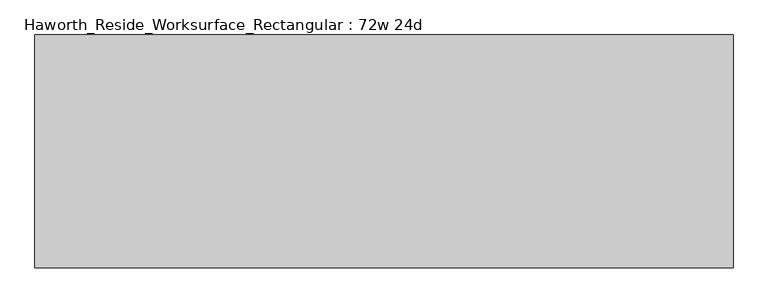
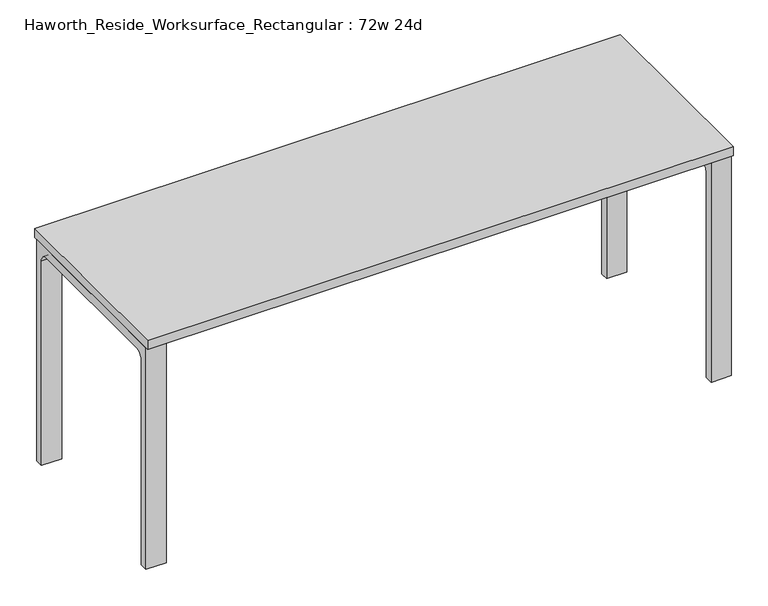
"""IFC4 building model written with IfcOpenShell, lengths in millimetres: furniture geometry, Haworth_Reside_Worksurface_Rectangular : 72w 24d."""

from ifc_helpers import new_model, si_unit, point, frame, frame_2d, origin, place, context, project, spatial, polyline, circle_curve, trimmed, segment, composite_curve, outline, extrude, source, transform, mapped, element, save


def haworth_reside_worksurface_rectangular_72w_24d_d0085fe6(model_context):
    return source(origin(), model_context, "Body", "SweptSolid", [
        extrude(outline(composite_curve([segment(trimmed(circle_curve(frame_2d((244.475, 676.275)), 25.4), [point((269.875, 676.275))], [point((244.475, 701.675))], True, "CARTESIAN"), True, "CONTINUOUS"), segment(polyline([(244.475, 701.675), (-244.475, 701.675)]), True, "CONTINUOUS"), segment(trimmed(circle_curve(frame_2d((-244.475, 676.275)), 25.4), [point((-244.475, 701.675))], [point((-269.875, 676.275))], True, "CARTESIAN"), True, "CONTINUOUS"), segment(polyline([(-269.875, 676.275), (-269.875, 0.0), (-295.275, 0.0), (-295.275, 731.8375), (295.275, 731.8375), (295.275, 0.0), (269.875, 0.0), (269.875, 676.275)]), True, "CONTINUOUS")], self_intersect=False)), frame((850.9, 0.0, 0.0), z_axis=(1.0, 0.0, 0.0), x_axis=(0.0, 1.0, 0.0)), (0.0, 0.0, 1.0), 63.5),
        extrude(outline(composite_curve([segment(trimmed(circle_curve(frame_2d((244.475, 676.275)), 25.4), [point((269.875, 676.275))], [point((244.475, 701.675))], True, "CARTESIAN"), True, "CONTINUOUS"), segment(polyline([(244.475, 701.675), (-244.475, 701.675)]), True, "CONTINUOUS"), segment(trimmed(circle_curve(frame_2d((-244.475, 676.275)), 25.4), [point((-244.475, 701.675))], [point((-269.875, 676.275))], True, "CARTESIAN"), True, "CONTINUOUS"), segment(polyline([(-269.875, 676.275), (-269.875, 0.0), (-295.275, 0.0), (-295.275, 731.8375), (295.275, 731.8375), (295.275, 0.0), (269.875, 0.0), (269.875, 676.275)]), True, "CONTINUOUS")], self_intersect=False)), frame((-914.4, 0.0, 0.0), z_axis=(1.0, 0.0, 0.0), x_axis=(0.0, 1.0, 0.0)), (0.0, 0.0, 1.0), 63.5),
        extrude(outline(polyline([(914.4, 304.8), (914.4, -304.8), (-914.4, -304.8), (-914.4, 304.8), (914.4, 304.8)])), frame((0.0, 0.0, 731.8375), z_axis=(0.0, 0.0, 1.0), x_axis=(1.0, 0.0, 0.0)), (0.0, 0.0, 1.0), 30.1625),
    ])


if __name__ == "__main__":
    model = new_model("IFC4")
    model_context = context("Model", 3, world=origin())
    ifc_project = project(units=[si_unit("LENGTHUNIT", "METRE", prefix="MILLI")], contexts=[model_context])
    site = spatial("IfcSite", under=ifc_project)
    building = spatial("IfcBuilding", under=site)
    placement = place(None, origin())
    haworth_reside_worksurface_rectangular_72w_24d_shape = haworth_reside_worksurface_rectangular_72w_24d_d0085fe6(model_context)
    element("IfcFurniture", 1, ObjectType="Haworth_Reside_Worksurface_Rectangular : 72w 24d", at=placement, inside=building, context=model_context, shape_type="MappedRepresentation", body=[
        mapped(haworth_reside_worksurface_rectangular_72w_24d_shape, transform((0.0, 0.0, 0.0), x_axis=(1.0, 0.0, 0.0), y_axis=(0.0, 1.0, 0.0), z_axis=(0.0, 0.0, 1.0))),
    ])
    save(model, "model.ifc")
